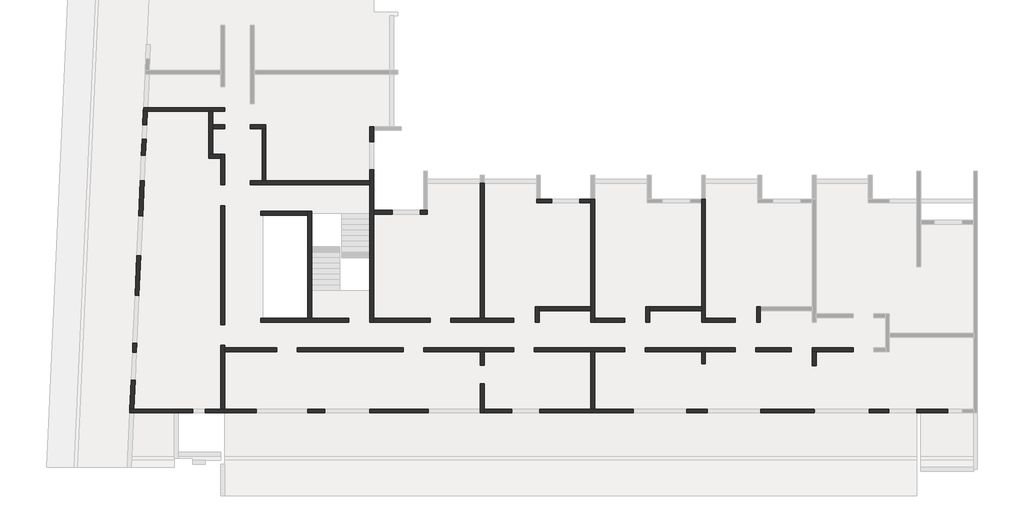
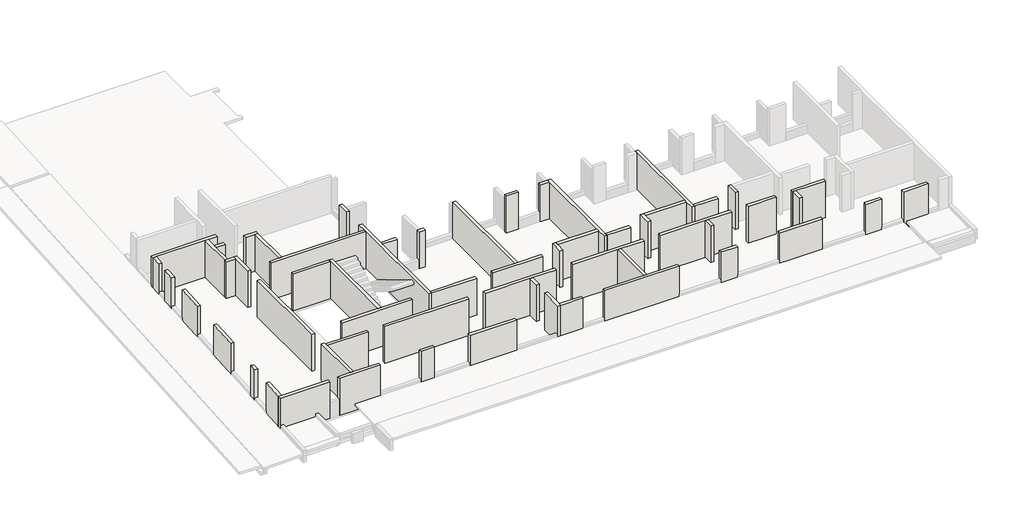
# One storey, part 1 of 4: 59 walls.
"""IFC4 building model written with IfcOpenShell, lengths in millimetres."""

from ifc_helpers import new_model, si_unit, frame, origin, place, context, project, spatial, polyline, outline, extrude, faceted_brep, element, save

model = new_model("IFC4")

# Units and contexts
model_context = context("Model", 3, world=origin())
ifc_project = project(units=[si_unit("LENGTHUNIT", "METRE", prefix="MILLI")], contexts=[model_context])

# Site, building, storey
site = spatial("IfcSite", under=ifc_project)
building = spatial("IfcBuilding", under=site)
storey = spatial("IfcBuildingStorey", under=building, Elevation=17350.0)

# Walls
placement = place(None, origin())
element("IfcWall", 1, ObjectType="MHA20", at=placement, inside=storey, context=model_context, shape_type="Brep", body=[
    faceted_brep([(-4395.6912908, -13079.0672499, 17350.0), (-6505.6912908, -13079.0672499, 17350.0), (-6505.6912908, -13079.0672499, 19880.0), (-4395.6912908, -13079.0672499, 19880.0), (-4395.6912908, -13279.0672499, 17350.0), (-4395.6912908, -13279.0672499, 19880.0), (-6305.6912908, -13279.0672499, 19880.0), (-6505.6912908, -13279.0672499, 19880.0), (-6505.6912908, -13279.0672499, 17350.0), (-6305.6912908, -13279.0672499, 17350.0)], [[[0, 1, 2, 3]], [[4, 5, 6, 7, 8, 9]], [[1, 0, 4, 9, 8]], [[3, 2, 7, 6, 5]], [[0, 3, 5, 4]], [[2, 1, 8, 7]]]),
])
element("IfcWall", 2, ObjectType="MHA20", at=placement, inside=storey, context=model_context, shape_type="SweptSolid", body=[
    extrude(outline(polyline([(-6305.6912908, -13279.0672499), (-6305.6912908, -13989.0672499), (-6505.6912908, -13989.0672499), (-6505.6912908, -13279.0672499), (-6305.6912908, -13279.0672499)])), frame((0.0, 0.0, 17350.0), z_axis=(0.0, 0.0, 1.0), x_axis=(1.0, 0.0, 0.0)), (0.0, 0.0, 1.0), 2530.0),
])
element("IfcWall", 3, ObjectType="MHA20", at=placement, inside=storey, context=model_context, shape_type="SweptSolid", body=[
    extrude(outline(polyline([(-11995.6912908, -13279.0672499), (-11995.6912908, -13879.0672499), (-12195.6912908, -13879.0672499), (-12195.6912908, -13279.0672499), (-11995.6912908, -13279.0672499)])), frame((0.0, 0.0, 17350.0), z_axis=(0.0, 0.0, 1.0), x_axis=(1.0, 0.0, 0.0)), (0.0, 0.0, 1.0), 2530.0),
])
element("IfcWall", 4, ObjectType="MHA20", at=placement, inside=storey, context=model_context, shape_type="Brep", body=[
    faceted_brep([(-11995.6912908, -11759.0672499, 17350.0), (-11995.6912908, -11559.0672499, 17350.0), (-11995.6912908, -5419.0672499, 17350.0), (-11995.6912908, -5419.0672499, 19580.0), (-11995.6912908, -5419.0672499, 19880.0), (-11995.6912908, -11559.0672499, 19880.0), (-11995.6912908, -11759.0672499, 19880.0), (-12195.6912908, -11759.0672499, 17350.0), (-12195.6912908, -11759.0672499, 19880.0), (-12195.6912908, -11159.0672499, 19880.0), (-12195.6912908, -10959.0672499, 19880.0), (-12195.6912908, -5619.0672499, 19880.0), (-12195.6912908, -5419.0672499, 19880.0), (-12195.6912908, -5419.0672499, 19580.0), (-12195.6912908, -5419.0672499, 17350.0), (-12195.6912908, -5619.0672499, 17350.0), (-12195.6912908, -10959.0672499, 17350.0), (-12195.6912908, -11159.0672499, 17350.0)], [[[0, 1, 2, 3, 4, 5, 6]], [[7, 8, 9, 10, 11, 12, 13, 14, 15, 16, 17]], [[2, 1, 0, 7, 17, 16, 15, 14]], [[6, 5, 4, 12, 11, 10, 9, 8]], [[0, 6, 8, 7]], [[4, 3, 2, 14, 13, 12]]]),
])
element("IfcWall", 5, ObjectType="MHA20", at=placement, inside=storey, context=model_context, shape_type="SweptSolid", body=[
    extrude(outline(polyline([(-17685.6912908, -13279.0672499), (-17685.6912908, -16219.0672499), (-17885.6912908, -16219.0672499), (-17885.6912908, -13279.0672499), (-17685.6912908, -13279.0672499)])), frame((0.0, 0.0, 17350.0), z_axis=(0.0, 0.0, 1.0), x_axis=(1.0, 0.0, 0.0)), (0.0, 0.0, 1.0), 2530.0),
])
element("IfcWall", 6, ObjectType="MHA20", at=placement, inside=storey, context=model_context, shape_type="Brep", body=[
    faceted_brep([(-23375.6912908, -16419.0672499, 19880.0), (-23375.6912908, -16419.0672499, 17800.75), (-23375.6912908, -16419.0672499, 17350.0), (-23375.6912908, -16219.0672499, 17350.0), (-23375.6912908, -14929.0672499, 17350.0), (-23375.6912908, -14929.0672499, 19880.0), (-23375.6912908, -16219.0672499, 19880.0), (-23575.6912908, -16419.0672499, 17350.0), (-23575.6912908, -16419.0672499, 17800.75), (-23575.6912908, -16419.0672499, 19880.0), (-23575.6912908, -14929.0672499, 19880.0), (-23575.6912908, -14929.0672499, 17350.0)], [[[0, 1, 2, 3, 4, 5, 6]], [[7, 8, 9, 10, 11]], [[4, 3, 2, 7, 11]], [[5, 4, 11, 10]], [[0, 6, 5, 10, 9]], [[0, 9, 8, 7, 2, 1]]]),
])
element("IfcWall", 7, ObjectType="MHA20", at=placement, inside=storey, context=model_context, shape_type="Brep", body=[
    faceted_brep([(-17885.6912908, -5419.0672499, 17350.0), (-17885.6912908, -5619.0672499, 17350.0), (-17885.6912908, -10959.0672499, 17350.0), (-17885.6912908, -11159.0672499, 17350.0), (-17885.6912908, -11759.0672499, 17350.0), (-17885.6912908, -11759.0672499, 19880.0), (-17885.6912908, -11159.0672499, 19880.0), (-17885.6912908, -10959.0672499, 19880.0), (-17885.6912908, -5619.0672499, 19880.0), (-17885.6912908, -5419.0672499, 19880.0), (-17885.6912908, -5419.0672499, 19580.0), (-17685.6912908, -5419.0672499, 17350.0), (-17685.6912908, -5419.0672499, 19580.0), (-17685.6912908, -5419.0672499, 19880.0), (-17685.6912908, -11559.0672499, 19880.0), (-17685.6912908, -11759.0672499, 19880.0), (-17685.6912908, -11759.0672499, 17350.0), (-17685.6912908, -11559.0672499, 17350.0)], [[[0, 1, 2, 3, 4, 5, 6, 7, 8, 9, 10]], [[11, 12, 13, 14, 15, 16, 17]], [[4, 3, 2, 1, 0, 11, 17, 16]], [[9, 8, 7, 6, 5, 15, 14, 13]], [[5, 4, 16, 15]], [[0, 10, 9, 13, 12, 11]]]),
])
element("IfcWall", 8, ObjectType="MHA20", at=placement, inside=storey, context=model_context, shape_type="Brep", body=[
    faceted_brep([(-23575.6912908, -4599.0672499, 17350.0), (-23575.6912908, -11559.0672499, 17350.0), (-23575.6912908, -11559.0672499, 19880.0), (-23575.6912908, -4599.0672499, 19880.0), (-23575.6912908, -4599.0672499, 19580.0), (-23375.6912908, -4599.0672499, 17350.0), (-23375.6912908, -4599.0672499, 19580.0), (-23375.6912908, -4599.0672499, 19880.0), (-23375.6912908, -11559.0672499, 19880.0), (-23375.6912908, -11559.0672499, 17350.0)], [[[0, 1, 2, 3, 4]], [[5, 6, 7, 8, 9]], [[1, 0, 5, 9]], [[3, 2, 8, 7]], [[0, 4, 3, 7, 6, 5]], [[2, 1, 9, 8]]]),
])
element("IfcWall", 9, ObjectType="MHA20", at=placement, inside=storey, context=model_context, shape_type="Brep", body=[
    faceted_brep([(-20685.6912908, -5619.0672499, 17350.0), (-19905.6912908, -5619.0672499, 17350.0), (-19905.6912908, -5619.0672499, 17950.0), (-19905.6912908, -5619.0672499, 19880.0), (-20685.6912908, -5619.0672499, 19880.0), (-20685.6912908, -5419.0672499, 17350.0), (-20685.6912908, -5419.0672499, 19580.0), (-20685.6912908, -5419.0672499, 19880.0), (-19905.6912908, -5419.0672499, 19880.0), (-19905.6912908, -5419.0672499, 17950.0), (-19905.6912908, -5419.0672499, 17350.0), (-20485.6912908, -5419.0672499, 17350.0)], [[[0, 1, 2, 3, 4]], [[5, 6, 7, 8, 9, 10, 11]], [[1, 0, 5, 11, 10]], [[3, 2, 1, 10, 9, 8]], [[4, 3, 8, 7]], [[0, 4, 7, 6, 5]]]),
])
element("IfcWall", 10, ObjectType="MHA20", at=placement, inside=storey, context=model_context, shape_type="Brep", body=[
    faceted_brep([(-18465.6912908, -5619.0672499, 17350.0), (-17885.6912908, -5619.0672499, 17350.0), (-17885.6912908, -5619.0672499, 19880.0), (-18465.6912908, -5619.0672499, 19880.0), (-18465.6912908, -5619.0672499, 17950.0), (-18465.6912908, -5419.0672499, 17350.0), (-18465.6912908, -5419.0672499, 17950.0), (-18465.6912908, -5419.0672499, 19880.0), (-17885.6912908, -5419.0672499, 19880.0), (-17885.6912908, -5419.0672499, 17350.0)], [[[0, 1, 2, 3, 4]], [[5, 6, 7, 8, 9]], [[1, 0, 5, 9]], [[3, 2, 8, 7]], [[0, 4, 3, 7, 6, 5]], [[2, 1, 9, 8]]]),
])
element("IfcWall", 11, ObjectType="MHA20", at=placement, inside=storey, context=model_context, shape_type="Brep", body=[
    faceted_brep([(-36735.6912908, -16219.0672499, 17350.0), (-36735.6912908, -13279.0672499, 17350.0), (-36735.6912908, -13079.0672499, 17350.0), (-36735.6912908, -12949.0672499, 17350.0), (-36735.6912908, -12949.0672499, 19880.0), (-36735.6912908, -13079.0672499, 19880.0), (-36735.6912908, -13279.0672499, 19880.0), (-36735.6912908, -16219.0672499, 19880.0), (-36935.6912908, -16219.0672499, 17350.0), (-36935.6912908, -16219.0672499, 19880.0), (-36935.6912908, -12949.0672499, 19880.0), (-36935.6912908, -12949.0672499, 17350.0)], [[[0, 1, 2, 3, 4, 5, 6, 7]], [[8, 9, 10, 11]], [[3, 2, 1, 0, 8, 11]], [[4, 3, 11, 10]], [[7, 6, 5, 4, 10, 9]], [[0, 7, 9, 8]]]),
])
element("IfcWall", 12, ObjectType="MHA20", at=placement, inside=storey, context=model_context, shape_type="Brep", body=[
    faceted_brep([(-10470.6912908, -13079.0672499, 17350.0), (-15100.6912908, -13079.0672499, 17350.0), (-15100.6912908, -13079.0672499, 19880.0), (-10470.6912908, -13079.0672499, 19880.0), (-10470.6912908, -13279.0672499, 17350.0), (-10470.6912908, -13279.0672499, 19880.0), (-11995.6912908, -13279.0672499, 19880.0), (-12195.6912908, -13279.0672499, 19880.0), (-15100.6912908, -13279.0672499, 19880.0), (-15100.6912908, -13279.0672499, 17350.0), (-12195.6912908, -13279.0672499, 17350.0), (-11995.6912908, -13279.0672499, 17350.0)], [[[0, 1, 2, 3]], [[4, 5, 6, 7, 8, 9, 10, 11]], [[1, 0, 4, 11, 10, 9]], [[2, 1, 9, 8]], [[3, 2, 8, 7, 6, 5]], [[0, 3, 5, 4]]]),
])
element("IfcWall", 13, ObjectType="MHA20", at=placement, inside=storey, context=model_context, shape_type="Brep", body=[
    faceted_brep([(-16160.6912908, -13079.0672499, 17350.0), (-20790.6912908, -13079.0672499, 17350.0), (-20790.6912908, -13079.0672499, 19880.0), (-16160.6912908, -13079.0672499, 19880.0), (-16160.6912908, -13279.0672499, 17350.0), (-16160.6912908, -13279.0672499, 19880.0), (-17685.6912908, -13279.0672499, 19880.0), (-17885.6912908, -13279.0672499, 19880.0), (-20790.6912908, -13279.0672499, 19880.0), (-20790.6912908, -13279.0672499, 17350.0), (-17885.6912908, -13279.0672499, 17350.0), (-17685.6912908, -13279.0672499, 17350.0)], [[[0, 1, 2, 3]], [[4, 5, 6, 7, 8, 9, 10, 11]], [[1, 0, 4, 11, 10, 9]], [[2, 1, 9, 8]], [[3, 2, 8, 7, 6, 5]], [[0, 3, 5, 4]]]),
])
element("IfcWall", 14, ObjectType="MHA20", at=placement, inside=storey, context=model_context, shape_type="Brep", body=[
    faceted_brep([(-21850.6912908, -13079.0672499, 17350.0), (-26480.6912908, -13079.0672499, 17350.0), (-26480.6912908, -13079.0672499, 19880.0), (-21850.6912908, -13079.0672499, 19880.0), (-21850.6912908, -13279.0672499, 17350.0), (-21850.6912908, -13279.0672499, 19880.0), (-23375.6912908, -13279.0672499, 19880.0), (-23575.6912908, -13279.0672499, 19880.0), (-26480.6912908, -13279.0672499, 19880.0), (-26480.6912908, -13279.0672499, 17350.0), (-23575.6912908, -13279.0672499, 17350.0), (-23375.6912908, -13279.0672499, 17350.0)], [[[0, 1, 2, 3]], [[4, 5, 6, 7, 8, 9, 10, 11]], [[1, 0, 4, 11, 10, 9]], [[2, 1, 9, 8]], [[3, 2, 8, 7, 6, 5]], [[0, 3, 5, 4]]]),
])
element("IfcWall", 15, ObjectType="MHA20", at=placement, inside=storey, context=model_context, shape_type="SweptSolid", body=[
    extrude(outline(polyline([(-32995.6912908, -13079.0672499), (-27540.6912908, -13079.0672499), (-27540.6912908, -13279.0672499), (-32995.6912908, -13279.0672499), (-32995.6912908, -13079.0672499)])), frame((0.0, 0.0, 17350.0), z_axis=(0.0, 0.0, 1.0), x_axis=(1.0, 0.0, 0.0)), (0.0, 0.0, 1.0), 2530.0),
])
element("IfcWall", 16, ObjectType="MHA20", at=placement, inside=storey, context=model_context, shape_type="SweptSolid", body=[
    extrude(outline(polyline([(-11995.6912908, -11559.0672499), (-10470.6912908, -11559.0672499), (-10470.6912908, -11759.0672499), (-11995.6912908, -11759.0672499), (-11995.6912908, -11559.0672499)])), frame((0.0, 0.0, 17350.0), z_axis=(0.0, 0.0, 1.0), x_axis=(1.0, 0.0, 0.0)), (0.0, 0.0, 1.0), 2530.0),
])
element("IfcWall", 17, ObjectType="MHA20", at=placement, inside=storey, context=model_context, shape_type="SweptSolid", body=[
    extrude(outline(polyline([(-34055.6912908, -13279.0672499), (-36735.6912908, -13279.0672499), (-36735.6912908, -13079.0672499), (-34055.6912908, -13079.0672499), (-34055.6912908, -13279.0672499)])), frame((0.0, 0.0, 17350.0), z_axis=(0.0, 0.0, 1.0), x_axis=(1.0, 0.0, 0.0)), (0.0, 0.0, 1.0), 2530.0),
])
element("IfcWall", 18, ObjectType="MHA20", at=placement, inside=storey, context=model_context, shape_type="Brep", body=[
    faceted_brep([(-9170.6912908, -11759.0672499, 17350.0), (-9170.6912908, -11159.0672499, 17350.0), (-9170.6912908, -10959.0672499, 17350.0), (-9170.6912908, -10959.0672499, 19880.0), (-9170.6912908, -11159.0672499, 19880.0), (-9170.6912908, -11759.0672499, 19880.0), (-9370.6912908, -11759.0672499, 17350.0), (-9370.6912908, -11759.0672499, 19880.0), (-9370.6912908, -10959.0672499, 19880.0), (-9370.6912908, -10959.0672499, 17350.0)], [[[0, 1, 2, 3, 4, 5]], [[6, 7, 8, 9]], [[2, 1, 0, 6, 9]], [[5, 4, 3, 8, 7]], [[0, 5, 7, 6]], [[3, 2, 9, 8]]]),
])
element("IfcWall", 19, ObjectType="MHA20", at=placement, inside=storey, context=model_context, shape_type="Brep", body=[
    faceted_brep([(-14860.6912908, -11759.0672499, 17350.0), (-14860.6912908, -11159.0672499, 17350.0), (-14860.6912908, -10959.0672499, 17350.0), (-14860.6912908, -10959.0672499, 19880.0), (-14860.6912908, -11159.0672499, 19880.0), (-14860.6912908, -11759.0672499, 19880.0), (-15060.6912908, -11759.0672499, 17350.0), (-15060.6912908, -11759.0672499, 19880.0), (-15060.6912908, -10959.0672499, 19880.0), (-15060.6912908, -10959.0672499, 17350.0)], [[[0, 1, 2, 3, 4, 5]], [[6, 7, 8, 9]], [[2, 1, 0, 6, 9]], [[5, 4, 3, 8, 7]], [[0, 5, 7, 6]], [[3, 2, 9, 8]]]),
])
element("IfcWall", 20, ObjectType="MHA20", at=placement, inside=storey, context=model_context, shape_type="SweptSolid", body=[
    extrude(outline(polyline([(-12195.6912908, -11159.0672499), (-14860.6912908, -11159.0672499), (-14860.6912908, -10959.0672499), (-12195.6912908, -10959.0672499), (-12195.6912908, -11159.0672499)])), frame((0.0, 0.0, 17350.0), z_axis=(0.0, 0.0, 1.0), x_axis=(1.0, 0.0, 0.0)), (0.0, 0.0, 1.0), 2530.0),
])
element("IfcWall", 21, ObjectType="MHA20", at=placement, inside=storey, context=model_context, shape_type="Brep", body=[
    faceted_brep([(-20550.6912908, -11759.0672499, 17350.0), (-20550.6912908, -11159.0672499, 17350.0), (-20550.6912908, -10959.0672499, 17350.0), (-20550.6912908, -10959.0672499, 19880.0), (-20550.6912908, -11159.0672499, 19880.0), (-20550.6912908, -11759.0672499, 19880.0), (-20750.6912908, -11759.0672499, 17350.0), (-20750.6912908, -11759.0672499, 19880.0), (-20750.6912908, -10959.0672499, 19880.0), (-20750.6912908, -10959.0672499, 17350.0)], [[[0, 1, 2, 3, 4, 5]], [[6, 7, 8, 9]], [[2, 1, 0, 6, 9]], [[5, 4, 3, 8, 7]], [[0, 5, 7, 6]], [[3, 2, 9, 8]]]),
])
element("IfcWall", 22, ObjectType="MHA20", at=placement, inside=storey, context=model_context, shape_type="SweptSolid", body=[
    extrude(outline(polyline([(-17885.6912908, -11159.0672499), (-20550.6912908, -11159.0672499), (-20550.6912908, -10959.0672499), (-17885.6912908, -10959.0672499), (-17885.6912908, -11159.0672499)])), frame((0.0, 0.0, 17350.0), z_axis=(0.0, 0.0, 1.0), x_axis=(1.0, 0.0, 0.0)), (0.0, 0.0, 1.0), 2530.0),
])
element("IfcWall", 23, ObjectType="MHA20", at=placement, inside=storey, context=model_context, shape_type="SweptSolid", body=[
    extrude(outline(polyline([(-17685.6912908, -11559.0672499), (-16160.6912908, -11559.0672499), (-16160.6912908, -11759.0672499), (-17685.6912908, -11759.0672499), (-17685.6912908, -11559.0672499)])), frame((0.0, 0.0, 17350.0), z_axis=(0.0, 0.0, 1.0), x_axis=(1.0, 0.0, 0.0)), (0.0, 0.0, 1.0), 2530.0),
])
element("IfcWall", 24, ObjectType="MHA20", at=placement, inside=storey, context=model_context, shape_type="Brep", body=[
    faceted_brep([(-21850.6912908, -11559.0672499, 17350.0), (-23375.6912908, -11559.0672499, 17350.0), (-23575.6912908, -11559.0672499, 17350.0), (-25095.6912908, -11559.0672499, 17350.0), (-25095.6912908, -11559.0672499, 19880.0), (-23575.6912908, -11559.0672499, 19880.0), (-23375.6912908, -11559.0672499, 19880.0), (-21850.6912908, -11559.0672499, 19880.0), (-21850.6912908, -11759.0672499, 17350.0), (-21850.6912908, -11759.0672499, 19880.0), (-25095.6912908, -11759.0672499, 19880.0), (-25095.6912908, -11759.0672499, 17350.0)], [[[0, 1, 2, 3, 4, 5, 6, 7]], [[8, 9, 10, 11]], [[3, 2, 1, 0, 8, 11]], [[4, 3, 11, 10]], [[7, 6, 5, 4, 10, 9]], [[0, 7, 9, 8]]]),
])
element("IfcWall", 25, ObjectType="MHA20", at=placement, inside=storey, context=model_context, shape_type="Brep", body=[
    faceted_brep([(-29065.6912908, -11759.0672499, 17350.0), (-29065.6912908, -11559.0672499, 17350.0), (-29065.6912908, -6204.0672499, 17350.0), (-29065.6912908, -6004.0672499, 17350.0), (-29065.6912908, -3909.0672499, 17350.0), (-29065.6912908, -3909.0672499, 17950.0), (-29065.6912908, -3909.0672499, 19880.0), (-29065.6912908, -6004.0672499, 19880.0), (-29065.6912908, -6204.0672499, 19880.0), (-29065.6912908, -11559.0672499, 19880.0), (-29065.6912908, -11759.0672499, 19880.0), (-29265.6912908, -11759.0672499, 17350.0), (-29265.6912908, -11759.0672499, 19880.0), (-29265.6912908, -4689.0672499, 19880.0), (-29265.6912908, -4489.0672499, 19880.0), (-29265.6912908, -3909.0672499, 19880.0), (-29265.6912908, -3909.0672499, 17950.0), (-29265.6912908, -3909.0672499, 17350.0), (-29265.6912908, -4489.0672499, 17350.0), (-29265.6912908, -4689.0672499, 17350.0)], [[[0, 1, 2, 3, 4, 5, 6, 7, 8, 9, 10]], [[11, 12, 13, 14, 15, 16, 17, 18, 19]], [[4, 3, 2, 1, 0, 11, 19, 18, 17]], [[6, 5, 4, 17, 16, 15]], [[10, 9, 8, 7, 6, 15, 14, 13, 12]], [[0, 10, 12, 11]]]),
])
element("IfcWall", 26, ObjectType="MHA20", at=placement, inside=storey, context=model_context, shape_type="Brep", body=[
    faceted_brep([(-35405.6912908, -4689.0672499, 17350.0), (-29265.6912908, -4689.0672499, 17350.0), (-29265.6912908, -4689.0672499, 19880.0), (-35405.6912908, -4689.0672499, 19880.0), (-35405.6912908, -4489.0672499, 17350.0), (-35405.6912908, -4489.0672499, 19880.0), (-34805.6912908, -4489.0672499, 19880.0), (-34605.6912908, -4489.0672499, 19880.0), (-29265.6912908, -4489.0672499, 19880.0), (-29265.6912908, -4489.0672499, 17350.0), (-34605.6912908, -4489.0672499, 17350.0), (-34805.6912908, -4489.0672499, 17350.0)], [[[0, 1, 2, 3]], [[4, 5, 6, 7, 8, 9, 10, 11]], [[1, 0, 4, 11, 10, 9]], [[3, 2, 8, 7, 6, 5]], [[0, 3, 5, 4]], [[2, 1, 9, 8]]]),
])
element("IfcWall", 27, ObjectType="MHA20", at=placement, inside=storey, context=model_context, shape_type="Brep", body=[
    faceted_brep([(-26675.6912908, -6204.0672499, 17350.0), (-26295.6912908, -6204.0672499, 17350.0), (-26295.6912908, -6204.0672499, 19880.0), (-26675.6912908, -6204.0672499, 19880.0), (-26675.6912908, -6204.0672499, 17950.0), (-26675.6912908, -6004.0672499, 17350.0), (-26675.6912908, -6004.0672499, 17950.0), (-26675.6912908, -6004.0672499, 19880.0), (-26295.6912908, -6004.0672499, 19880.0), (-26295.6912908, -6004.0672499, 19580.0), (-26295.6912908, -6004.0672499, 17350.0), (-26495.6912908, -6004.0672499, 17350.0)], [[[0, 1, 2, 3, 4]], [[5, 6, 7, 8, 9, 10, 11]], [[1, 0, 5, 11, 10]], [[2, 1, 10, 9, 8]], [[3, 2, 8, 7]], [[0, 4, 3, 7, 6, 5]]]),
])
element("IfcWall", 28, ObjectType="MHA20", at=placement, inside=storey, context=model_context, shape_type="Brep", body=[
    faceted_brep([(-28115.6912908, -6004.0672499, 17350.0), (-29065.6912908, -6004.0672499, 17350.0), (-29065.6912908, -6004.0672499, 19880.0), (-28115.6912908, -6004.0672499, 19880.0), (-28115.6912908, -6004.0672499, 17950.0), (-28115.6912908, -6204.0672499, 17350.0), (-28115.6912908, -6204.0672499, 17950.0), (-28115.6912908, -6204.0672499, 19880.0), (-29065.6912908, -6204.0672499, 19880.0), (-29065.6912908, -6204.0672499, 17350.0)], [[[0, 1, 2, 3, 4]], [[5, 6, 7, 8, 9]], [[1, 0, 5, 9]], [[3, 2, 8, 7]], [[0, 4, 3, 7, 6, 5]], [[2, 1, 9, 8]]]),
])
element("IfcWall", 29, ObjectType="MHA20", at=placement, inside=storey, context=model_context, shape_type="SweptSolid", body=[
    extrude(outline(polyline([(-26155.6912908, -11759.0672499), (-29065.6912908, -11759.0672499), (-29065.6912908, -11559.0672499), (-26155.6912908, -11559.0672499), (-26155.6912908, -11759.0672499)])), frame((0.0, 0.0, 17350.0), z_axis=(0.0, 0.0, 1.0), x_axis=(1.0, 0.0, 0.0)), (0.0, 0.0, 1.0), 2530.0),
])
element("IfcWall", 30, ObjectType="MHA20", at=placement, inside=storey, context=model_context, shape_type="Brep", body=[
    faceted_brep([(-32245.6912908, -11559.0672499, 17350.0), (-32245.6912908, -6044.0672499, 17350.0), (-32245.6912908, -6044.0672499, 19880.0), (-32245.6912908, -11559.0672499, 19880.0), (-32445.6912908, -11559.0672499, 17350.0), (-32445.6912908, -11559.0672499, 19880.0), (-32445.6912908, -6244.0672499, 19880.0), (-32445.6912908, -6044.0672499, 19880.0), (-32445.6912908, -6044.0672499, 17350.0), (-32445.6912908, -6244.0672499, 17350.0)], [[[0, 1, 2, 3]], [[4, 5, 6, 7, 8, 9]], [[1, 0, 4, 9, 8]], [[3, 2, 7, 6, 5]], [[0, 3, 5, 4]], [[2, 1, 8, 7]]]),
])
element("IfcWall", 31, ObjectType="MHA20", at=placement, inside=storey, context=model_context, shape_type="Brep", body=[
    faceted_brep([(-34865.6912908, -11759.0672499, 17350.0), (-30340.6912908, -11759.0672499, 17350.0), (-30340.6912908, -11759.0672499, 19880.0), (-34865.6912908, -11759.0672499, 19880.0), (-34865.6912908, -11559.0672499, 17350.0), (-34865.6912908, -11559.0672499, 19880.0), (-32445.6912908, -11559.0672499, 19880.0), (-32245.6912908, -11559.0672499, 19880.0), (-30340.6912908, -11559.0672499, 19880.0), (-30340.6912908, -11559.0672499, 17350.0), (-32245.6912908, -11559.0672499, 17350.0), (-32445.6912908, -11559.0672499, 17350.0)], [[[0, 1, 2, 3]], [[4, 5, 6, 7, 8, 9, 10, 11]], [[1, 0, 4, 11, 10, 9]], [[2, 1, 9, 8]], [[3, 2, 8, 7, 6, 5]], [[0, 3, 5, 4]]]),
])
element("IfcWall", 32, ObjectType="MHA20", at=placement, inside=storey, context=model_context, shape_type="SweptSolid", body=[
    extrude(outline(polyline([(-32445.6912908, -6244.0672499), (-34865.6912908, -6244.0672499), (-34865.6912908, -6044.0672499), (-32445.6912908, -6044.0672499), (-32445.6912908, -6244.0672499)])), frame((0.0, 0.0, 17350.0), z_axis=(0.0, 0.0, 1.0), x_axis=(1.0, 0.0, 0.0)), (0.0, 0.0, 1.0), 2530.0),
])
element("IfcWall", 33, ObjectType="MHA20", at=placement, inside=storey, context=model_context, shape_type="SweptSolid", body=[
    extrude(outline(polyline([(-36735.6912908, -5774.0672499), (-36735.6912908, -11889.0672499), (-36935.6912908, -11889.0672499), (-36935.6912908, -5774.0672499), (-36735.6912908, -5774.0672499)])), frame((0.0, 0.0, 17350.0), z_axis=(0.0, 0.0, 1.0), x_axis=(1.0, 0.0, 0.0)), (0.0, 0.0, 1.0), 2530.0),
])
element("IfcWall", 34, ObjectType="MHA20", at=placement, inside=storey, context=model_context, shape_type="Brep", body=[
    faceted_brep([(-41609.0481243, -16419.0672499, 19880.0), (-41609.0481243, -16419.0672499, 17800.8280133), (-41609.0481243, -16419.0672499, 17350.0), (-40185.6912908, -16419.0672499, 17350.0), (-38375.6912908, -16419.0672499, 17350.0), (-38375.6912908, -16419.0672499, 19880.0), (-41599.9751419, -16219.0672499, 17350.0), (-41599.9751419, -16219.0672499, 17801.0084813), (-41599.9751419, -16219.0672499, 19880.0), (-41399.7694501, -16219.0672499, 19880.0), (-38375.6912908, -16219.0672499, 19880.0), (-38375.6912908, -16219.0672499, 17350.0), (-40185.6912908, -16219.0672499, 17350.0), (-41399.7694501, -16219.0672499, 17350.0)], [[[0, 1, 2, 3, 4, 5]], [[6, 7, 8, 9, 10, 11, 12, 13]], [[4, 3, 2, 6, 13, 12, 11]], [[5, 4, 11, 10]], [[0, 5, 10, 9, 8]], [[0, 8, 7, 6, 2, 1]]]),
])
element("IfcWall", 35, ObjectType="MHA20", at=placement, inside=storey, context=model_context, shape_type="Brep", body=[
    faceted_brep([(-35405.6912908, -1794.0672499, 17350.0), (-34805.6912908, -1794.0672499, 17350.0), (-34605.6912908, -1794.0672499, 17350.0), (-34605.6912908, -1794.0672499, 19880.0), (-34805.6912908, -1794.0672499, 19880.0), (-35405.6912908, -1794.0672499, 19880.0), (-35405.6912908, -1594.0672499, 17350.0), (-35405.6912908, -1594.0672499, 19880.0), (-34605.6912908, -1594.0672499, 19880.0), (-34605.6912908, -1594.0672499, 17350.0)], [[[0, 1, 2, 3, 4, 5]], [[6, 7, 8, 9]], [[2, 1, 0, 6, 9]], [[5, 4, 3, 8, 7]], [[0, 5, 7, 6]], [[3, 2, 9, 8]]]),
])
element("IfcWall", 36, ObjectType="MHA20", at=placement, inside=storey, context=model_context, shape_type="SweptSolid", body=[
    extrude(outline(polyline([(-34605.6912908, -1794.0672499), (-34605.6912908, -4489.0672499), (-34805.6912908, -4489.0672499), (-34805.6912908, -1794.0672499), (-34605.6912908, -1794.0672499)])), frame((0.0, 0.0, 17350.0), z_axis=(0.0, 0.0, 1.0), x_axis=(1.0, 0.0, 0.0)), (0.0, 0.0, 1.0), 2530.0),
])
element("IfcWall", 37, ObjectType="MHA20", at=placement, inside=storey, context=model_context, shape_type="Brep", body=[
    faceted_brep([(-29065.6912908, -2469.0672499, 17350.0), (-29065.6912908, -1889.5482142, 17350.0), (-29065.6912908, -1689.5482142, 17350.0), (-29065.6912908, -1689.5482142, 19580.0), (-29065.6912908, -1689.5482142, 19880.0), (-29065.6912908, -2469.0672499, 19880.0), (-29065.6912908, -2469.0672499, 17950.0), (-29265.6912908, -2469.0672499, 17350.0), (-29265.6912908, -2469.0672499, 17950.0), (-29265.6912908, -2469.0672499, 19880.0), (-29265.6912908, -1689.5482142, 19880.0), (-29265.6912908, -1689.5482142, 17350.0)], [[[0, 1, 2, 3, 4, 5, 6]], [[7, 8, 9, 10, 11]], [[2, 1, 0, 7, 11]], [[4, 3, 2, 11, 10]], [[5, 4, 10, 9]], [[0, 6, 5, 9, 8, 7]]]),
])
element("IfcWall", 38, ObjectType="MHA20", at=placement, inside=storey, context=model_context, shape_type="Brep", body=[
    faceted_brep([(-37335.6912908, -3119.0672499, 17350.0), (-37335.6912908, -1794.0672499, 17350.0), (-37335.6912908, -1594.0672499, 17350.0), (-37335.6912908, -914.0672499, 17350.0), (-37335.6912908, -914.0672499, 19880.0), (-37335.6912908, -1594.0672499, 19880.0), (-37335.6912908, -1794.0672499, 19880.0), (-37335.6912908, -3119.0672499, 19880.0), (-37535.6912908, -3119.0672499, 17350.0), (-37535.6912908, -3119.0672499, 19880.0), (-37535.6912908, -914.0672499, 19880.0), (-37535.6912908, -914.0672499, 17350.0)], [[[0, 1, 2, 3, 4, 5, 6, 7]], [[8, 9, 10, 11]], [[3, 2, 1, 0, 8, 11]], [[7, 6, 5, 4, 10, 9]], [[0, 7, 9, 8]], [[4, 3, 11, 10]]]),
])
element("IfcWall", 39, ObjectType="MHA20", at=placement, inside=storey, context=model_context, shape_type="SweptSolid", body=[
    extrude(outline(polyline([(-37335.6912908, -1594.0672499), (-36735.6912908, -1594.0672499), (-36735.6912908, -1794.0672499), (-37335.6912908, -1794.0672499), (-37335.6912908, -1594.0672499)])), frame((0.0, 0.0, 17350.0), z_axis=(0.0, 0.0, 1.0), x_axis=(1.0, 0.0, 0.0)), (0.0, 0.0, 1.0), 2530.0),
])
element("IfcWall", 40, ObjectType="MHA20", at=placement, inside=storey, context=model_context, shape_type="Brep", body=[
    faceted_brep([(-37535.6912908, -3319.0672499, 17350.0), (-36935.6912908, -3319.0672499, 17350.0), (-36935.6912908, -3319.0672499, 19880.0), (-37535.6912908, -3319.0672499, 19880.0), (-37535.6912908, -3119.0672499, 17350.0), (-37535.6912908, -3119.0672499, 19880.0), (-37335.6912908, -3119.0672499, 19880.0), (-36935.6912908, -3119.0672499, 19880.0), (-36935.6912908, -3119.0672499, 17350.0), (-37335.6912908, -3119.0672499, 17350.0)], [[[0, 1, 2, 3]], [[4, 5, 6, 7, 8, 9]], [[1, 0, 4, 9, 8]], [[3, 2, 7, 6, 5]], [[0, 3, 5, 4]], [[2, 1, 8, 7]]]),
])
element("IfcWall", 41, ObjectType="MHA20", at=placement, inside=storey, context=model_context, shape_type="SweptSolid", body=[
    extrude(outline(polyline([(-23375.6912908, -13279.0672499), (-23375.6912908, -13979.0672499), (-23575.6912908, -13979.0672499), (-23575.6912908, -13279.0672499), (-23375.6912908, -13279.0672499)])), frame((0.0, 0.0, 17350.0), z_axis=(0.0, 0.0, 1.0), x_axis=(1.0, 0.0, 0.0)), (0.0, 0.0, 1.0), 2530.0),
])
element("IfcWall", 42, ObjectType="MHA20", at=placement, inside=storey, context=model_context, shape_type="Brep", body=[
    faceted_brep([(464.3087092, -16219.0672499, 17350.0), (-1125.6912908, -16219.0672499, 17350.0), (-1125.6912908, -16219.0672499, 17950.0), (-1125.6912908, -16219.0672499, 19880.0), (464.3087092, -16219.0672499, 19880.0), (464.3087092, -16419.0672499, 17350.0), (464.3087092, -16419.0672499, 19880.0), (-1125.6912908, -16419.0672499, 19880.0), (-1125.6912908, -16419.0672499, 18000.0), (-1125.6912908, -16419.0672499, 17950.0), (-1125.6912908, -16419.0672499, 17350.0), (-925.6912908, -16419.0672499, 17350.0)], [[[0, 1, 2, 3, 4]], [[5, 6, 7, 8, 9, 10, 11]], [[1, 0, 5, 11, 10]], [[3, 2, 1, 10, 9, 8, 7]], [[4, 3, 7, 6]], [[0, 4, 6, 5]]]),
])
element("IfcWall", 43, ObjectType="MHA20", at=placement, inside=storey, context=model_context, shape_type="Brep", body=[
    faceted_brep([(-2555.6912908, -16219.0672499, 17350.0), (-3570.6912908, -16219.0672499, 17350.0), (-3570.6912908, -16219.0672499, 17950.0), (-3570.6912908, -16219.0672499, 19880.0), (-2555.6912908, -16219.0672499, 19880.0), (-2555.6912908, -16219.0672499, 17950.0), (-2555.6912908, -16419.0672499, 17350.0), (-2555.6912908, -16419.0672499, 17950.0), (-2555.6912908, -16419.0672499, 19880.0), (-3570.6912908, -16419.0672499, 19880.0), (-3570.6912908, -16419.0672499, 17950.0), (-3570.6912908, -16419.0672499, 17350.0)], [[[0, 1, 2, 3, 4, 5]], [[6, 7, 8, 9, 10, 11]], [[1, 0, 6, 11]], [[3, 2, 1, 11, 10, 9]], [[4, 3, 9, 8]], [[0, 5, 4, 8, 7, 6]]]),
])
element("IfcWall", 44, ObjectType="MHA20", at=placement, inside=storey, context=model_context, shape_type="Brep", body=[
    faceted_brep([(-6405.6912908, -16219.0672499, 17350.0), (-9155.6912908, -16219.0672499, 17350.0), (-9155.6912908, -16219.0672499, 17950.0), (-9155.6912908, -16219.0672499, 19880.0), (-6405.6912908, -16219.0672499, 19880.0), (-6405.6912908, -16419.0672499, 17350.0), (-6405.6912908, -16419.0672499, 19880.0), (-9155.6912908, -16419.0672499, 19880.0), (-9155.6912908, -16419.0672499, 17950.0), (-9155.6912908, -16419.0672499, 17350.0)], [[[0, 1, 2, 3, 4]], [[5, 6, 7, 8, 9]], [[1, 0, 5, 9]], [[3, 2, 1, 9, 8, 7]], [[4, 3, 7, 6]], [[0, 4, 6, 5]]]),
])
element("IfcWall", 45, ObjectType="MHA20", at=placement, inside=storey, context=model_context, shape_type="Brep", body=[
    faceted_brep([(-20515.6912908, -16419.0672499, 17350.0), (-17885.6912908, -16419.0672499, 17350.0), (-17685.6912908, -16419.0672499, 17350.0), (-15705.6912908, -16419.0672499, 17350.0), (-15705.6912908, -16419.0672499, 17950.0), (-15705.6912908, -16419.0672499, 19880.0), (-20515.6912908, -16419.0672499, 19880.0), (-20515.6912908, -16219.0672499, 17350.0), (-20515.6912908, -16219.0672499, 19880.0), (-17885.6912908, -16219.0672499, 19880.0), (-17685.6912908, -16219.0672499, 19880.0), (-15705.6912908, -16219.0672499, 19880.0), (-15705.6912908, -16219.0672499, 17950.0), (-15705.6912908, -16219.0672499, 17350.0), (-17685.6912908, -16219.0672499, 17350.0), (-17885.6912908, -16219.0672499, 17350.0)], [[[0, 1, 2, 3, 4, 5, 6]], [[7, 8, 9, 10, 11, 12, 13, 14, 15]], [[3, 2, 1, 0, 7, 15, 14, 13]], [[5, 4, 3, 13, 12, 11]], [[6, 5, 11, 10, 9, 8]], [[0, 6, 8, 7]]]),
])
element("IfcWall", 46, ObjectType="MHA20", at=placement, inside=storey, context=model_context, shape_type="Brep", body=[
    faceted_brep([(-37735.6912908, -16419.0672499, 17350.0), (-36935.6912908, -16419.0672499, 17350.0), (-36735.6912908, -16419.0672499, 17350.0), (-35095.6912908, -16419.0672499, 17350.0), (-35095.6912908, -16419.0672499, 17950.0), (-35095.6912908, -16419.0672499, 19880.0), (-37735.6912908, -16419.0672499, 19880.0), (-37735.6912908, -16219.0672499, 17350.0), (-37735.6912908, -16219.0672499, 19880.0), (-36935.6912908, -16219.0672499, 19880.0), (-36735.6912908, -16219.0672499, 19880.0), (-35095.6912908, -16219.0672499, 19880.0), (-35095.6912908, -16219.0672499, 17950.0), (-35095.6912908, -16219.0672499, 17350.0), (-36735.6912908, -16219.0672499, 17350.0), (-36935.6912908, -16219.0672499, 17350.0)], [[[0, 1, 2, 3, 4, 5, 6]], [[7, 8, 9, 10, 11, 12, 13, 14, 15]], [[3, 2, 1, 0, 7, 15, 14, 13]], [[5, 4, 3, 13, 12, 11]], [[6, 5, 11, 10, 9, 8]], [[0, 6, 8, 7]]]),
])
element("IfcWall", 47, ObjectType="MHA20", at=placement, inside=storey, context=model_context, shape_type="Brep", body=[
    faceted_brep([(-41532.7054566, -14736.2100849, 17350.0), (-41599.9751419, -16219.0672499, 17350.0), (-41599.9751419, -16219.0672499, 19880.0), (-41532.7054566, -14736.2100849, 19880.0), (-41532.7054566, -14736.2100849, 17950.0), (-41332.9109371, -14745.2737458, 17350.0), (-41332.9109371, -14745.2737458, 17950.0), (-41332.9109371, -14745.2737458, 19880.0), (-41399.7694501, -16219.0672499, 19880.0), (-41399.7694501, -16219.0672499, 17350.0)], [[[0, 1, 2, 3, 4]], [[5, 6, 7, 8, 9]], [[1, 0, 5, 9]], [[3, 2, 8, 7]], [[0, 4, 3, 7, 6, 5]], [[1, 9, 8, 2]]]),
])
element("IfcWall", 48, ObjectType="MHA20", at=placement, inside=storey, context=model_context, shape_type="Brep", body=[
    faceted_brep([(-41267.6525789, -13306.7532049, 17350.0), (-41246.1263843, -12832.2412209, 17350.0), (-41246.1263843, -12832.2412209, 17950.0), (-41246.1263843, -12832.2412209, 19880.0), (-41267.6525789, -13306.7532049, 19880.0), (-41267.6525789, -13306.7532049, 17950.0), (-41467.4470985, -13297.689544, 17350.0), (-41467.4470985, -13297.689544, 17950.0), (-41467.4470985, -13297.689544, 19880.0), (-41445.9209039, -12823.17756, 19880.0), (-41445.9209039, -12823.17756, 17950.0), (-41445.9209039, -12823.17756, 17350.0)], [[[0, 1, 2, 3, 4, 5]], [[6, 7, 8, 9, 10, 11]], [[1, 0, 6, 11]], [[3, 2, 1, 11, 10, 9]], [[4, 3, 9, 8]], [[0, 5, 4, 8, 7, 6]]]),
])
element("IfcWall", 49, ObjectType="MHA20", at=placement, inside=storey, context=model_context, shape_type="Brep", body=[
    faceted_brep([(-32455.6912908, -16419.0672499, 17350.0), (-32185.6912908, -16419.0672499, 17350.0), (-31985.6912908, -16419.0672499, 17350.0), (-31585.6912908, -16419.0672499, 17350.0), (-31585.6912908, -16419.0672499, 17950.0), (-31585.6912908, -16419.0672499, 19880.0), (-32455.6912908, -16419.0672499, 19880.0), (-32455.6912908, -16419.0672499, 17950.0), (-32455.6912908, -16219.0672499, 17350.0), (-32455.6912908, -16219.0672499, 17950.0), (-32455.6912908, -16219.0672499, 19880.0), (-31585.6912908, -16219.0672499, 19880.0), (-31585.6912908, -16219.0672499, 17950.0), (-31585.6912908, -16219.0672499, 17350.0)], [[[0, 1, 2, 3, 4, 5, 6, 7]], [[8, 9, 10, 11, 12, 13]], [[3, 2, 1, 0, 8, 13]], [[5, 4, 3, 13, 12, 11]], [[6, 5, 11, 10]], [[0, 7, 6, 10, 9, 8]]]),
])
element("IfcWall", 50, ObjectType="MHA20", at=placement, inside=storey, context=model_context, shape_type="Brep", body=[
    faceted_brep([(-29265.6912908, -16419.0672499, 17350.0), (-29065.6912908, -16419.0672499, 17350.0), (-26255.6912908, -16419.0672499, 17350.0), (-26255.6912908, -16419.0672499, 19880.0), (-29265.6912908, -16419.0672499, 19880.0), (-29265.6912908, -16419.0672499, 17950.0), (-29265.6912908, -16419.0672499, 17800.75), (-29265.6912908, -16219.0672499, 17350.0), (-29265.6912908, -16219.0672499, 17950.0), (-29265.6912908, -16219.0672499, 19880.0), (-26255.6912908, -16219.0672499, 19880.0), (-26255.6912908, -16219.0672499, 17350.0)], [[[0, 1, 2, 3, 4, 5, 6]], [[7, 8, 9, 10, 11]], [[2, 1, 0, 7, 11]], [[3, 2, 11, 10]], [[4, 3, 10, 9]], [[0, 6, 5, 4, 9, 8, 7]]]),
])
element("IfcWall", 51, ObjectType="MHA20", at=placement, inside=storey, context=model_context, shape_type="SweptSolid", body=[
    extrude(outline(polyline([(-23375.6912908, -16219.0672499), (-21955.6912908, -16219.0672499), (-21955.6912908, -16419.0672499), (-23375.6912908, -16419.0672499), (-23375.6912908, -16219.0672499)])), frame((0.0, 0.0, 17350.0), z_axis=(0.0, 0.0, 1.0), x_axis=(1.0, 0.0, 0.0)), (0.0, 0.0, 1.0), 2530.0),
])
element("IfcWall", 52, ObjectType="MHA20", at=placement, inside=storey, context=model_context, shape_type="Brep", body=[
    faceted_brep([(-12965.6912908, -16419.0672499, 17350.0), (-12195.6912908, -16419.0672499, 17350.0), (-11995.6912908, -16419.0672499, 17350.0), (-11895.6912908, -16419.0672499, 17350.0), (-11895.6912908, -16419.0672499, 17950.0), (-11895.6912908, -16419.0672499, 19880.0), (-12965.6912908, -16419.0672499, 19880.0), (-12965.6912908, -16419.0672499, 17950.0), (-12965.6912908, -16219.0672499, 17350.0), (-12965.6912908, -16219.0672499, 17950.0), (-12965.6912908, -16219.0672499, 19880.0), (-11895.6912908, -16219.0672499, 19880.0), (-11895.6912908, -16219.0672499, 17950.0), (-11895.6912908, -16219.0672499, 17350.0)], [[[0, 1, 2, 3, 4, 5, 6, 7]], [[8, 9, 10, 11, 12, 13]], [[3, 2, 1, 0, 8, 13]], [[5, 4, 3, 13, 12, 11]], [[6, 5, 11, 10]], [[0, 7, 6, 10, 9, 8]]]),
])
element("IfcWall", 53, ObjectType="MHA20", at=placement, inside=storey, context=model_context, shape_type="Brep", body=[
    faceted_brep([(-40905.6651591, -914.0672499, 17350.0), (-40705.4594674, -914.0672499, 17350.0), (-37535.6912908, -914.0672499, 17350.0), (-37335.6912908, -914.0672499, 17350.0), (-36735.6912908, -914.0672499, 17350.0), (-36735.6912908, -914.0672499, 19880.0), (-37335.6912908, -914.0672499, 19880.0), (-37535.6912908, -914.0672499, 19880.0), (-40705.4594674, -914.0672499, 19880.0), (-40905.6651591, -914.0672499, 19880.0), (-40896.5921767, -714.0672499, 17350.0), (-40896.5921767, -714.0672499, 19880.0), (-36735.6912908, -714.0672499, 19880.0), (-36735.6912908, -714.0672499, 17350.0)], [[[0, 1, 2, 3, 4, 5, 6, 7, 8, 9]], [[10, 11, 12, 13]], [[4, 3, 2, 1, 0, 10, 13]], [[5, 4, 13, 12]], [[9, 8, 7, 6, 5, 12, 11]], [[0, 9, 11, 10]]]),
])
element("IfcWall", 54, ObjectType="MHA20", at=placement, inside=storey, context=model_context, shape_type="Brep", body=[
    faceted_brep([(-40736.7034311, -1602.7925697, 17350.0), (-40705.4594674, -914.0672499, 17350.0), (-40705.4594674, -914.0672499, 19880.0), (-40736.7034311, -1602.7925697, 19880.0), (-40736.7034311, -1602.7925697, 19730.0), (-40736.7034311, -1602.7925697, 17950.0), (-40936.4979507, -1593.7289088, 17350.0), (-40936.4979507, -1593.7289088, 17950.0), (-40936.4979507, -1593.7289088, 19730.0), (-40936.4979507, -1593.7289088, 19880.0), (-40905.6651591, -914.0672499, 19880.0), (-40905.6651591, -914.0672499, 17350.0)], [[[0, 1, 2, 3, 4, 5]], [[6, 7, 8, 9, 10, 11]], [[1, 0, 6, 11]], [[3, 2, 10, 9]], [[0, 5, 4, 3, 9, 8, 7, 6]], [[2, 1, 11, 10]]]),
])
element("IfcWall", 55, ObjectType="MHA20", at=placement, inside=storey, context=model_context, shape_type="Brep", body=[
    faceted_brep([(-40970.0334959, -2332.9686312, 17350.0), (-41007.6476884, -3162.1158875, 17350.0), (-41007.6476884, -3162.1158875, 19880.0), (-40970.0334959, -2332.9686312, 19880.0), (-40970.0334959, -2332.9686312, 19730.0), (-40970.0334959, -2332.9686312, 17950.0), (-40770.2389763, -2342.0322921, 17350.0), (-40770.2389763, -2342.0322921, 17950.0), (-40770.2389763, -2342.0322921, 19730.0), (-40770.2389763, -2342.0322921, 19880.0), (-40807.8531689, -3171.1795483, 19880.0), (-40807.8531689, -3171.1795483, 17350.0)], [[[0, 1, 2, 3, 4, 5]], [[6, 7, 8, 9, 10, 11]], [[1, 0, 6, 11]], [[2, 1, 11, 10]], [[3, 2, 10, 9]], [[0, 5, 4, 3, 9, 8, 7, 6]]]),
])
element("IfcWall", 56, ObjectType="MHA20", at=placement, inside=storey, context=model_context, shape_type="SweptSolid", body=[
    extrude(outline(polyline([(-41149.2667351, -6283.8908576), (-41066.9799967, -4475.7622967), (-40867.1867855, -4484.854754), (-40949.473524, -6292.9833149), (-41149.2667351, -6283.8908576)])), frame((0.0, 0.0, 17350.0), z_axis=(0.0, 0.0, 1.0), x_axis=(1.0, 0.0, 0.0)), (0.0, 0.0, 1.0), 2530.0),
])
element("IfcWall", 57, ObjectType="MHA20", at=placement, inside=storey, context=model_context, shape_type="Brep", body=[
    faceted_brep([(-41241.7167301, -8321.8093555, 17350.0), (-41334.8458454, -10374.6980441, 17350.0), (-41334.8458454, -10374.6980441, 17950.0), (-41334.8458454, -10374.6980441, 19880.0), (-41241.7167301, -8321.8093555, 19880.0), (-41241.7167301, -8321.8093555, 17950.0), (-41041.9222105, -8330.8730163, 17350.0), (-41041.9222105, -8330.8730163, 17950.0), (-41041.9222105, -8330.8730163, 19880.0), (-41135.0513258, -10383.7617049, 19880.0), (-41135.0513258, -10383.7617049, 17950.0), (-41135.0513258, -10383.7617049, 17350.0)], [[[0, 1, 2, 3, 4, 5]], [[6, 7, 8, 9, 10, 11]], [[1, 0, 6, 11]], [[3, 2, 1, 11, 10, 9]], [[4, 3, 9, 8]], [[0, 5, 4, 8, 7, 6]]]),
])
element("IfcWall", 58, ObjectType="MHA20", at=placement, inside=storey, context=model_context, shape_type="SweptSolid", body=[
    extrude(outline(polyline([(-9410.6912908, -13079.0672499), (-7595.6912908, -13079.0672499), (-7595.6912908, -13279.0672499), (-9410.6912908, -13279.0672499), (-9410.6912908, -13079.0672499)])), frame((0.0, 0.0, 17350.0), z_axis=(0.0, 0.0, 1.0), x_axis=(1.0, 0.0, 0.0)), (0.0, 0.0, 1.0), 2530.0),
])
element("IfcWall", 59, ObjectType="MHA20", at=placement, inside=storey, context=model_context, shape_type="Brep", body=[
    faceted_brep([(-36735.6912908, -4689.0672499, 17350.0), (-36735.6912908, -3119.0672499, 17350.0), (-36735.6912908, -3119.0672499, 19880.0), (-36735.6912908, -4689.0672499, 19880.0), (-36935.6912908, -4689.0672499, 17350.0), (-36935.6912908, -4689.0672499, 19880.0), (-36935.6912908, -3319.0672499, 19880.0), (-36935.6912908, -3119.0672499, 19880.0), (-36935.6912908, -3119.0672499, 17350.0), (-36935.6912908, -3319.0672499, 17350.0)], [[[0, 1, 2, 3]], [[4, 5, 6, 7, 8, 9]], [[1, 0, 4, 9, 8]], [[3, 2, 7, 6, 5]], [[0, 3, 5, 4]], [[2, 1, 8, 7]]]),
])

save(model, "model.ifc")
